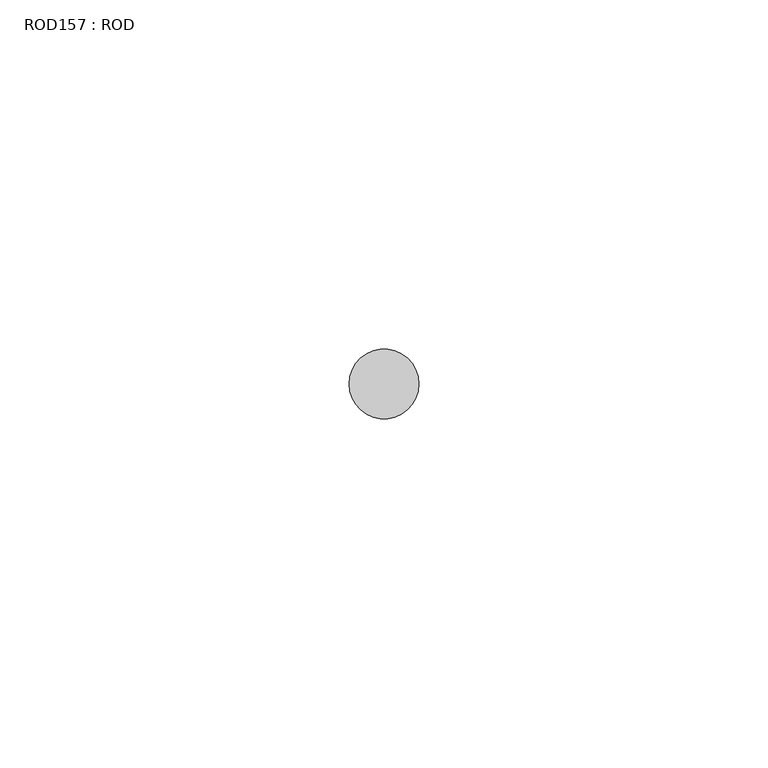
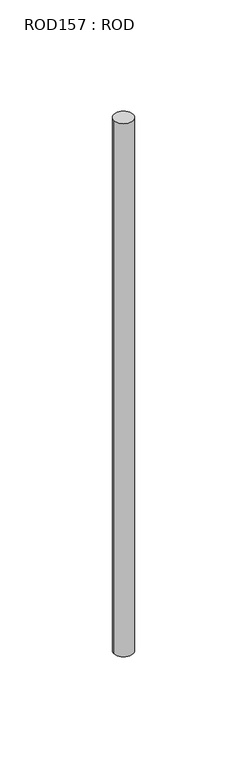
"""IFC4 building model written with IfcOpenShell, lengths in millimetres: proxy geometry, ROD157 : ROD."""

import ifcopenshell
import ifcopenshell.guid

model = None  # the IFC model being written
_history = None  # IfcOwnerHistory: only IFC2X3 demands one
_inside = {}  # id of a spatial element -> (the spatial element, [elements in it])
_under = {}  # id of a project, library or spatial element -> (it, [spatial elements below it])
_declared = {}  # id of a project -> (the project, [libraries it declares])
_typed = {}  # id of a type object -> (the type object, [elements of that type])
_made_of = {}  # id of a material, layer set ... -> (it, [elements and type objects made of it])


def new_model(schema):
    """Start an empty IFC model of exactly this schema.

    Asked for "IFC4X3", IfcOpenShell would pick the latest addendum, in which some entities
    have other attributes; the version numbers below select the first issue.
    IFC2X3 requires an IfcOwnerHistory on every rooted entity: one is made here for all.
    """
    global model, _history
    if schema == "IFC4X3":
        model = ifcopenshell.file(schema_version=(4, 3, 0, 0))
    else:
        model = ifcopenshell.file(schema=schema)
    _inside.clear()
    _under.clear()
    _declared.clear()
    _typed.clear()
    _made_of.clear()
    _history = None
    if model.schema == "IFC2X3":
        org = make("IfcOrganization", Name="unknown")
        user = make(
            "IfcPersonAndOrganization",
            ThePerson=make("IfcPerson", FamilyName="unknown"),
            TheOrganization=org,
        )
        app = make(
            "IfcApplication",
            ApplicationDeveloper=org,
            Version="unknown",
            ApplicationFullName="unknown",
            ApplicationIdentifier="unknown",
        )
        _history = make(
            "IfcOwnerHistory",
            OwningUser=user,
            OwningApplication=app,
            ChangeAction="ADDED",
            CreationDate=0,
        )
    return model


def make(cls, **values):
    """One entity of the class cls with the attributes given. An attribute that is None is left unset."""
    return model.create_entity(
        cls, **{name: value for name, value in values.items() if value is not None}
    )


def rooted(cls, **values):
    """An entity with a GlobalId (a new one), such as an element, a storey or a relation."""
    return make(cls, GlobalId=ifcopenshell.guid.new(), OwnerHistory=_history, **values)


def si_unit(unit_type, name, prefix=None):
    """IfcSIUnit, for example si_unit("LENGTHUNIT", "METRE", prefix="MILLI")."""
    return make("IfcSIUnit", UnitType=unit_type, Prefix=prefix, Name=name)


def assignment(units):
    """IfcUnitAssignment: the units of a project."""
    return None if units is None else make("IfcUnitAssignment", Units=units)


def point(xyz):
    """IfcCartesianPoint."""
    return None if xyz is None else make("IfcCartesianPoint", Coordinates=xyz)


def direction(xyz):
    """IfcDirection."""
    return None if xyz is None else make("IfcDirection", DirectionRatios=xyz)


def frame(location, z_axis=None, x_axis=None):
    """IfcAxis2Placement3D, a coordinate frame: its origin and axes. An axis left out is left unset."""
    return make(
        "IfcAxis2Placement3D",
        Location=point(location),
        Axis=direction(z_axis),
        RefDirection=direction(x_axis),
    )


def frame_2d(location, x_axis=None):
    """IfcAxis2Placement2D, a coordinate frame in the plane: its origin and x axis."""
    return make(
        "IfcAxis2Placement2D", Location=point(location), RefDirection=direction(x_axis)
    )


def origin():
    """The frame at (0, 0, 0) with its axes left unset."""
    return frame((0.0, 0.0, 0.0))


def place(relative_to, where):
    """IfcLocalPlacement: puts the frame where relative to a parent placement (None: the world)."""
    return make(
        "IfcLocalPlacement", PlacementRelTo=relative_to, RelativePlacement=where
    )


def context(
    kind, dimensions, precision=None, world=None, true_north=None, identifier=None
):
    """IfcGeometricRepresentationContext, for example the 3D "Model" context."""
    return make(
        "IfcGeometricRepresentationContext",
        ContextIdentifier=identifier,
        ContextType=kind,
        CoordinateSpaceDimension=dimensions,
        Precision=precision,
        WorldCoordinateSystem=world,
        TrueNorth=true_north,
    )


def project(units=None, contexts=None):
    """IfcProject with its units and contexts."""
    return rooted(
        "IfcProject",
        Name="project",
        RepresentationContexts=contexts,
        UnitsInContext=assignment(units),
    )


def spatial(cls, under=None, at=None, **own):
    """A site, building, storey or space (cls), placed at a placement, below another one or the project."""
    s = rooted(cls, ObjectPlacement=at, **own)
    if under is not None:
        _under.setdefault(under.id(), (under, []))[1].append(s)
    return s


def circle_curve(where, radius):
    """IfcCircle in the frame where."""
    return make("IfcCircle", Position=where, Radius=radius)


def trimmed(basis, trim1, trim2, sense, master):
    """IfcTrimmedCurve: the piece of a basis curve between two trims."""
    return make(
        "IfcTrimmedCurve",
        BasisCurve=basis,
        Trim1=trim1,
        Trim2=trim2,
        SenseAgreement=sense,
        MasterRepresentation=master,
    )


def segment(curve, same_sense, transition):
    """IfcCompositeCurveSegment."""
    return make(
        "IfcCompositeCurveSegment",
        Transition=transition,
        SameSense=same_sense,
        ParentCurve=curve,
    )


def composite_curve(segments, self_intersect=None):
    """IfcCompositeCurve: segments joined end to end."""
    return make("IfcCompositeCurve", Segments=segments, SelfIntersect=self_intersect)


def outline(outer, holes=None, kind="AREA"):
    """IfcArbitraryClosedProfileDef: a profile drawn as a closed curve; with holes, ...WithVoids."""
    if holes is None:
        return make("IfcArbitraryClosedProfileDef", ProfileType=kind, OuterCurve=outer)
    return make(
        "IfcArbitraryProfileDefWithVoids",
        ProfileType=kind,
        OuterCurve=outer,
        InnerCurves=holes,
    )


def extrude(swept, where, along, depth):
    """IfcExtrudedAreaSolid: the profile swept, set in the frame where, extruded along a direction by depth."""
    return make(
        "IfcExtrudedAreaSolid",
        SweptArea=swept,
        Position=where,
        ExtrudedDirection=direction(along),
        Depth=depth,
    )


def shape(context_of_items, identifier, shape_type, items):
    """IfcShapeRepresentation: the items that make up one representation, for example the "Body"."""
    return make(
        "IfcShapeRepresentation",
        ContextOfItems=context_of_items,
        RepresentationIdentifier=identifier,
        RepresentationType=shape_type,
        Items=items,
    )


def source(mapping_origin, context_of_items, identifier, shape_type, items):
    """IfcRepresentationMap: a shape defined once, which mapped items show again and again."""
    return make(
        "IfcRepresentationMap",
        MappingOrigin=mapping_origin,
        MappedRepresentation=shape(context_of_items, identifier, shape_type, items),
    )


def transform(
    local_origin,
    x_axis=None,
    y_axis=None,
    z_axis=None,
    scale=None,
    scale2=None,
    scale3=None,
    uniform=True,
):
    """IfcCartesianTransformationOperator3D, or its non-uniform kind. x_axis, y_axis, z_axis: its Axis1, 2, 3."""
    if uniform:
        return make(
            "IfcCartesianTransformationOperator3D",
            Axis1=direction(x_axis),
            Axis2=direction(y_axis),
            LocalOrigin=point(local_origin),
            Scale=scale,
            Axis3=direction(z_axis),
        )
    return make(
        "IfcCartesianTransformationOperator3DnonUniform",
        Axis1=direction(x_axis),
        Axis2=direction(y_axis),
        LocalOrigin=point(local_origin),
        Scale=scale,
        Axis3=direction(z_axis),
        Scale2=scale2,
        Scale3=scale3,
    )


def mapped(mapping_source, mapping_target):
    """IfcMappedItem: shows the shape of a source again, moved by a transform."""
    return make(
        "IfcMappedItem", MappingSource=mapping_source, MappingTarget=mapping_target
    )


def made_of(thing, what):
    """Note that an element or type object is made of a material, layer set ...; save() writes the relation."""
    if what is not None:
        _made_of.setdefault(what.id(), (what, []))[1].append(thing)
    return thing


def element(
    cls,
    number,
    at=None,
    inside=None,
    cuts=None,
    type_object=None,
    material=None,
    context=None,
    identifier="Body",
    shape_type=None,
    held_by="IfcProductDefinitionShape",
    body=None,
    shapes=None,
    **own,
):
    """One element of the class cls, such as IfcWall. Its Tag is "e" and its number.

    at: its placement. inside: the storey or other place that contains it. cuts: it is an
    opening in that element (IfcRelVoidsElement). A single representation is given by context,
    identifier, shape_type and body (its items); several are given by shapes. held_by: the class
    of the entity that holds the representations. save() writes the other relations.
    """
    e = rooted(cls, Tag="e%d" % number, ObjectPlacement=at, **own)
    if body is not None:
        shapes = [shape(context, identifier, shape_type, body)]
    if shapes is not None:
        e.Representation = make(held_by, Representations=shapes)
    if inside is not None:
        _inside.setdefault(inside.id(), (inside, []))[1].append(e)
    if cuts is not None:
        rooted(
            "IfcRelVoidsElement", RelatingBuildingElement=cuts, RelatedOpeningElement=e
        )
    if type_object is not None:
        _typed.setdefault(type_object.id(), (type_object, []))[1].append(e)
    return made_of(e, material)


def aggregate(whole, parts):
    """IfcRelAggregates: a whole, such as a stair, and the parts it consists of."""
    return rooted("IfcRelAggregates", RelatingObject=whole, RelatedObjects=parts)


def save(model, path):
    """Write the relations noted so far, then the file.

    IfcRelAggregates (storeys below a building ...), IfcRelContainedInSpatialStructure (elements
    in a storey), IfcRelDefinesByType, IfcRelAssociatesMaterial and IfcRelDeclares: one each for
    every whole, place, type object, material and project.
    """
    for whole, parts in _under.values():
        aggregate(whole, parts)
    for where, things in _inside.values():
        rooted(
            "IfcRelContainedInSpatialStructure",
            RelatedElements=things,
            RelatingStructure=where,
        )
    for kind, things in _typed.values():
        rooted("IfcRelDefinesByType", RelatedObjects=things, RelatingType=kind)
    for what, things in _made_of.values():
        rooted("IfcRelAssociatesMaterial", RelatedObjects=things, RelatingMaterial=what)
    for by, libraries in _declared.values():
        rooted("IfcRelDeclares", RelatingContext=by, RelatedDefinitions=libraries)
    model.write(path)


def rod157_rod_fbc3545f(model_context):
    return source(origin(), model_context, "Body", "SweptSolid", [
        extrude(outline(composite_curve([segment(trimmed(circle_curve(frame_2d((-6767.2215616, -12414.6300853)), 5.0), [point((-6772.2215616, -12414.6300853))], [point((-6762.2215616, -12414.6300853))], False, "CARTESIAN"), True, "CONTINUOUS"), segment(trimmed(circle_curve(frame_2d((-6767.2215616, -12414.6300853)), 5.0), [point((-6762.2215616, -12414.6300853))], [point((-6772.2215616, -12414.6300853))], False, "CARTESIAN"), True, "CONTINUOUS")], self_intersect=False)), frame((0.0, 0.0, -208.6608845), z_axis=(0.0, 0.0, 1.0), x_axis=(1.0, 0.0, 0.0)), (0.0, 0.0, 1.0), 298.9028972),
    ])


if __name__ == "__main__":
    model = new_model("IFC4")
    model_context = context("Model", 3, world=origin())
    ifc_project = project(units=[si_unit("LENGTHUNIT", "METRE", prefix="MILLI")], contexts=[model_context])
    site = spatial("IfcSite", under=ifc_project)
    building = spatial("IfcBuilding", under=site)
    placement = place(None, origin())
    rod157_rod_shape = rod157_rod_fbc3545f(model_context)
    element("IfcBuildingElementProxy", 1, Name="ROD157 : ROD", ObjectType="ROD157 : ROD", at=placement, inside=building, context=model_context, shape_type="MappedRepresentation", body=[
        mapped(rod157_rod_shape, transform((0.0, 0.0, 0.0), x_axis=(1.0, 0.0, 0.0), y_axis=(0.0, 1.0, 0.0), z_axis=(0.0, 0.0, 1.0))),
    ])
    save(model, "model.ifc")
